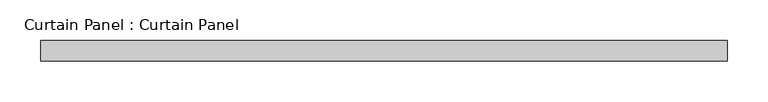
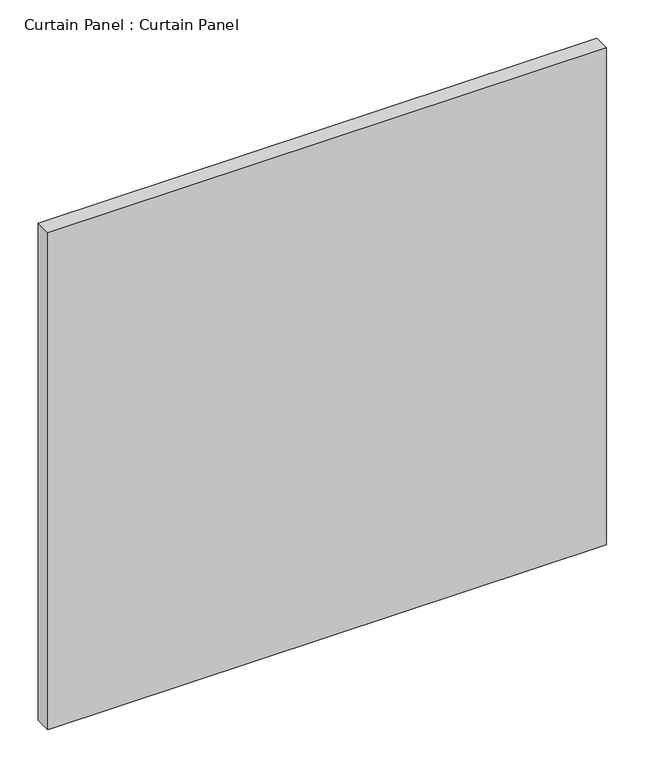
"""IFC4 building model written with IfcOpenShell, lengths in millimetres: plate geometry, Curtain Panel : Curtain Panel."""

from ifc_helpers import new_model, si_unit, frame, origin, place, context, project, spatial, polyline, outline, extrude, source, transform, mapped, element, save


def curtain_panel_curtain_panel_47ca2826(model_context):
    return source(origin(), model_context, "Body", "SweptSolid", [
        extrude(outline(polyline([(74444.216246, 2539.6865142), (73599.8398778, 2539.6865142), (73599.8398778, 2565.0865142), (74444.216246, 2565.0865142), (74444.216246, 2539.6865142)])), frame((0.0, 0.0, -629.8441246), z_axis=(0.0, 0.0, 1.0), x_axis=(1.0, 0.0, 0.0)), (0.0, 0.0, 1.0), 793.4029408),
    ])


if __name__ == "__main__":
    model = new_model("IFC4")
    model_context = context("Model", 3, world=origin())
    ifc_project = project(units=[si_unit("LENGTHUNIT", "METRE", prefix="MILLI")], contexts=[model_context])
    site = spatial("IfcSite", under=ifc_project)
    building = spatial("IfcBuilding", under=site)
    placement = place(None, origin())
    curtain_panel_curtain_panel_shape = curtain_panel_curtain_panel_47ca2826(model_context)
    element("IfcPlate", 1, ObjectType="Curtain Panel : Curtain Panel", at=placement, inside=building, context=model_context, shape_type="MappedRepresentation", body=[
        mapped(curtain_panel_curtain_panel_shape, transform((0.0, 0.0, 0.0), x_axis=(1.0, 0.0, 0.0), y_axis=(0.0, 1.0, 0.0), z_axis=(0.0, 0.0, 1.0))),
    ])
    save(model, "model.ifc")
